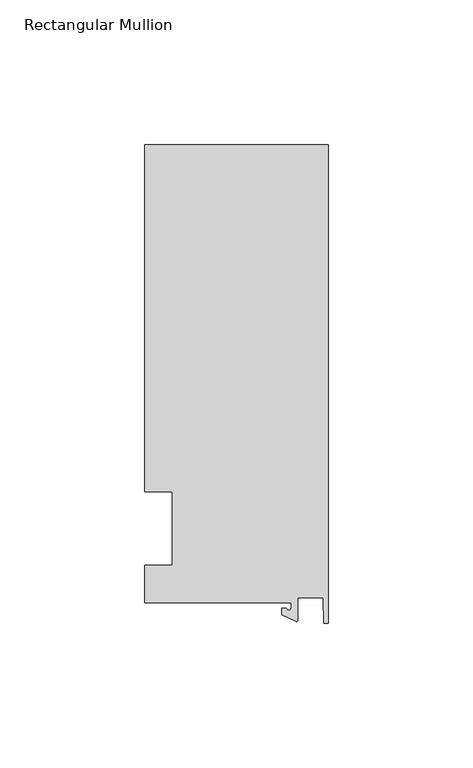
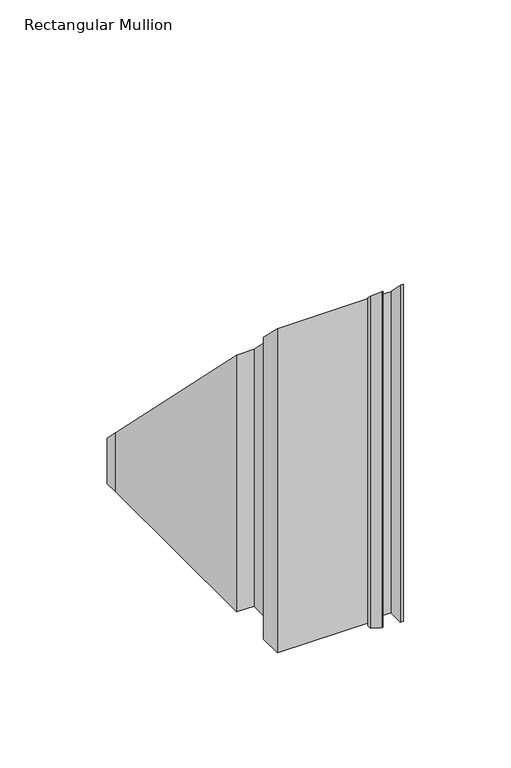
"""IFC4 building model written with IfcOpenShell, lengths in millimetres: member geometry, Rectangular Mullion."""

from ifc_helpers import new_model, si_unit, frame, origin, place, context, project, spatial, polyline, circle_curve, ellipse_curve, source, transform, mapped, element, save
from ifc_brep_helpers import plane_surface, cylinder_surface, revolved_surface, advanced_brep


def rectangular_mullion_8684ddf9(model_context):
    return source(origin(), model_context, "Body", "AdvancedBrep", [
        advanced_brep(
        [(-12.8216721, -25.5984375, -158.5163788), (-63.5, -25.5984375, -158.5163788), (-63.5, -12.7, -158.5163788), (-53.975, -12.7, -158.5163788), (-53.975, 12.7, -158.5163788), (-63.5, 12.7, -158.5163788), (-63.5, 125.075512, -158.5163788), (-63.5, 132.822512, -158.5163788), (0.0, 132.822512, -158.5163788), (0.0, -32.810012, -158.5163788), (-1.5566453, -32.810012, -158.5163788), (-1.7144124, -23.9227662, -158.5163788), (-10.4340721, -23.9227662, -158.5163788), (-10.4340721, -31.6795354, -158.5163788), (-11.1567622, -32.1399398, -158.5163788), (-15.9966721, -29.8830527, -158.5163788), (-15.9966721, -27.5208534, -158.5163788), (-14.4091721, -27.5208534, -158.5163788), (-12.8216721, -27.5208534, -158.5163788), (-12.8216721, -27.5208534, 27.5208534), (-12.8216721, -25.5984375, 25.5984375), (-14.4091721, -27.5208534, 27.5208534), (-15.9966721, -27.5208534, 27.5208534), (-15.9966721, -29.8830527, 29.8830527), (-11.1567622, -32.1399398, 32.1399398), (-10.4340721, -31.6795354, 31.6795354), (-10.4340721, -23.9227662, 23.9227662), (-1.7144124, -23.9227662, 23.9227662), (-1.5566453, -32.810012, 32.810012), (0.0, -32.810012, 32.810012), (0.0, 132.822512, -132.822512), (-63.5, 132.822512, -132.822512), (-63.5, 12.7, -12.7), (-63.5, 125.075512, -125.075512), (-53.975, 12.7, -12.7), (-53.975, -12.7, 12.7), (-63.5, -12.7, 12.7), (-63.5, -25.5984375, 25.5984375)],
        [
            (0, 1),
            (1, 2),
            (2, 3),
            (3, 4),
            (4, 5),
            (5, 6),
            (6, 7),
            (7, 8),
            (8, 9),
            (9, 10),
            (10, 11),
            (11, 12),
            (12, 13),
            (13, 14, circle_curve(frame((-10.9420721, -31.6795354, -158.5163788), z_axis=(0.0, 0.0, -1.0), x_axis=(-1.0, 0.0, 0.0)), 0.508)),
            (14, 15),
            (15, 16),
            (16, 17),
            (17, 18, circle_curve(frame((-13.6154221, -27.5208534, -158.5163788), z_axis=(0.0, 0.0, 1.0), x_axis=(-1.0, 0.0, 0.0)), 0.79375)),
            (18, 0),
            (19, 20),
            (20, 0),
            (18, 19),
            (21, 19, ellipse_curve(frame((-13.6154221, -27.5208534, 27.5208534), z_axis=(0.0, 0.70710678118655, 0.7071067811865451), x_axis=(0.0, 0.7071067811865452, -0.7071067811865498)), 1.122532, 0.79375)),
            (17, 21),
            (22, 21),
            (16, 22),
            (23, 22),
            (15, 23),
            (24, 23),
            (14, 24),
            (25, 24, ellipse_curve(frame((-10.9420721, -31.6795354, 31.6795354), z_axis=(0.0, -0.70710678118655, -0.7071067811865451), x_axis=(0.0, -0.7071067811865452, 0.7071067811865498)), 0.7184205, 0.508)),
            (13, 25),
            (26, 25),
            (12, 26),
            (27, 26),
            (11, 27),
            (28, 27),
            (10, 28),
            (29, 28),
            (9, 29),
            (30, 29),
            (8, 30),
            (31, 30),
            (7, 31),
            (32, 33),
            (33, 6),
            (5, 32),
            (34, 32),
            (4, 34),
            (35, 34),
            (3, 35),
            (36, 35),
            (2, 36),
            (37, 36),
            (1, 37),
            (20, 37),
            (31, 33),
        ],
        [
            plane_surface(frame((0.0, -147.2211591, -158.5163788), z_axis=(0.0, 0.0, -1.0), x_axis=(-1.0, 0.0, 0.0))),
            plane_surface(frame((-12.8216721, -25.5984375, 0.0), z_axis=(-1.0, 0.0, 0.0), x_axis=(0.0, 0.0, -1.0))),
            revolved_surface(polyline([(-14.4091721, -27.5208534, -158.5163788), (-14.4091721, -27.5208534, 28.3146033892989)]), (-13.6154221, -27.5208534, 0.0), (0.0, 0.0, -1.0)),
            plane_surface(frame((-14.4091721, -27.5208534, 0.0), z_axis=(0.0, 1.0, 0.0), x_axis=(0.0, 0.0, -1.0))),
            plane_surface(frame((-15.9966721, -27.5208534, 0.0), z_axis=(-1.0, 0.0, 0.0), x_axis=(0.0, 0.0, -1.0))),
            plane_surface(frame((-15.9966721, -29.8830527, 0.0), z_axis=(-0.4226182617406985, -0.9063077870366505, 0.0), x_axis=(0.0, 0.0, -1.0))),
            cylinder_surface(frame((-10.9420721, -31.6795354, 0.0), z_axis=(0.0, 0.0, 1.0), x_axis=(-1.0, 0.0, 0.0)), 0.508),
            plane_surface(frame((-10.4340721, -31.6795354, 0.0), z_axis=(1.0, 0.0, 0.0), x_axis=(0.0, 0.0, -1.0))),
            plane_surface(frame((-10.4340721, -23.9227662, 0.0), z_axis=(0.0, -1.0, 0.0), x_axis=(0.0, 0.0, -1.0))),
            plane_surface(frame((-1.7144124, -23.9227662, 0.0), z_axis=(-0.9998424690407919, -0.017749284560600327, 0.0), x_axis=(0.0, 0.0, -1.0))),
            plane_surface(frame((-1.5566453, -32.810012, 0.0), z_axis=(0.0, -1.0, 0.0), x_axis=(0.0, 0.0, -1.0))),
            plane_surface(frame((0.0, -32.810012, 0.0), z_axis=(1.0, 0.0, 0.0), x_axis=(0.0, 0.0, -1.0))),
            plane_surface(frame((0.0, 132.822512, 0.0), z_axis=(0.0, 1.0, 0.0), x_axis=(0.0, 0.0, -1.0))),
            plane_surface(frame((-63.5, 125.075512, 0.0), z_axis=(-1.0, 0.0, 0.0), x_axis=(0.0, 0.0, -1.0))),
            plane_surface(frame((-63.5, 12.7, 0.0), z_axis=(0.0, -1.0, 0.0), x_axis=(0.0, 0.0, -1.0))),
            plane_surface(frame((-53.975, 12.7, 0.0), z_axis=(-1.0, 0.0, 0.0), x_axis=(0.0, 0.0, -1.0))),
            plane_surface(frame((-53.975, -12.7, 0.0), z_axis=(0.0, 1.0, 0.0), x_axis=(0.0, 0.0, -1.0))),
            plane_surface(frame((-63.5, -12.7, 0.0), z_axis=(-1.0, 0.0, 0.0), x_axis=(0.0, 0.0, -1.0))),
            plane_surface(frame((-63.5, -25.5984375, 0.0), z_axis=(0.0, -1.0, 0.0), x_axis=(0.0, 0.0, -1.0))),
            plane_surface(frame((-304.8, 0.0, 0.0), z_axis=(0.0, 0.70710678118655, 0.7071067811865451), x_axis=(0.0, 0.7071067811865451, -0.70710678118655))),
            plane_surface(frame((-63.5, 132.822512, 0.0), z_axis=(-1.0, 0.0, 0.0), x_axis=(0.0, 0.0, -1.0))),
        ],
        [
            (0, [[1, 2, 3, 4, 5, 6, 7, 8, 9, 10, 11, 12, 13, 14, 15, 16, 17, 18, 19]]),
            (1, [[20, 21, -19, 22]]),
            (2, [[23, -22, -18, 24]]),
            (3, [[25, -24, -17, 26]]),
            (4, [[27, -26, -16, 28]]),
            (5, [[29, -28, -15, 30]]),
            (6, [[31, -30, -14, 32]]),
            (7, [[33, -32, -13, 34]]),
            (8, [[35, -34, -12, 36]]),
            (9, [[37, -36, -11, 38]]),
            (10, [[39, -38, -10, 40]]),
            (11, [[41, -40, -9, 42]]),
            (12, [[43, -42, -8, 44]]),
            (13, [[45, 46, -6, 47]]),
            (14, [[48, -47, -5, 49]]),
            (15, [[50, -49, -4, 51]]),
            (16, [[52, -51, -3, 53]]),
            (17, [[54, -53, -2, 55]]),
            (18, [[56, -55, -1, -21]]),
            (19, [[-20, -23, -25, -27, -29, -31, -33, -35, -37, -39, -41, -43, 57, -45, -48, -50, -52, -54, -56]]),
            (20, [[-57, -44, -7, -46]]),
        ],
    ),
    ])


if __name__ == "__main__":
    model = new_model("IFC4")
    model_context = context("Model", 3, world=origin())
    ifc_project = project(units=[si_unit("LENGTHUNIT", "METRE", prefix="MILLI")], contexts=[model_context])
    site = spatial("IfcSite", under=ifc_project)
    building = spatial("IfcBuilding", under=site)
    placement = place(None, origin())
    rectangular_mullion_shape = rectangular_mullion_8684ddf9(model_context)
    element("IfcMember", 1, ObjectType="Rectangular Mullion", at=placement, inside=building, context=model_context, shape_type="MappedRepresentation", body=[
        mapped(rectangular_mullion_shape, transform((0.0, 0.0, 0.0), x_axis=(1.0, 0.0, 0.0), y_axis=(0.0, 1.0, 0.0), z_axis=(0.0, 0.0, 1.0))),
    ])
    save(model, "model.ifc")
